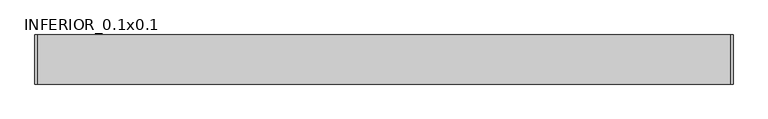
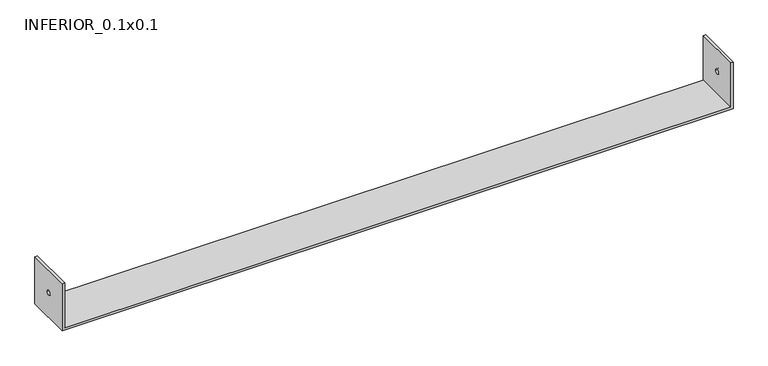
"""IFC4 building model written with IfcOpenShell, lengths in millimetres: proxy geometry, INFERIOR_0.1x0.1."""

from ifc_helpers import new_model, si_unit, frame, origin, place, context, project, spatial, polyline, circle_curve, source, transform, mapped, element, save
from ifc_brep_helpers import plane_surface, revolved_surface, advanced_brep


def inferior_0_1x0_1_3010d114(model_context):
    return source(origin(), model_context, "Body", "AdvancedBrep", [
        advanced_brep(
        [(5.0, 100.0, 105.0), (0.0, 100.0, 105.0), (0.0, 0.0, 105.0), (5.0, 0.0, 105.0), (5.0, 100.0, 5.0), (1415.0, 100.0, 5.0), (1415.0, 100.0, 105.0), (1420.0, 100.0, 105.0), (1420.0, 100.0, 0.0), (0.0, 100.0, 0.0), (0.0, 0.0, 0.0), (0.0, 45.1299677, 55.0), (0.0, 55.1299677, 55.0), (1420.0, 0.0, 0.0), (1420.0, 0.0, 105.0), (1415.0, 0.0, 105.0), (1415.0, 0.0, 5.0), (5.0, 0.0, 5.0), (5.0, 55.1299677, 55.0), (5.0, 45.1299677, 55.0), (1420.0, 55.1299677, 55.0), (1420.0, 45.1299677, 55.0), (1415.0, 45.1299677, 55.0), (1415.0, 55.1299677, 55.0)],
        [
            (0, 1),
            (1, 2),
            (2, 3),
            (3, 0),
            (0, 4),
            (4, 5),
            (5, 6),
            (6, 7),
            (7, 8),
            (8, 9),
            (9, 1),
            (9, 10),
            (10, 2),
            (11, 12, circle_curve(frame((0.0, 50.1299677, 55.0), z_axis=(1.0, 0.0, 0.0), x_axis=(0.0, 1.0, 0.0)), 5.0)),
            (12, 11, circle_curve(frame((0.0, 50.1299677, 55.0), z_axis=(1.0, 0.0, 0.0), x_axis=(0.0, 1.0, 0.0)), 5.0)),
            (10, 13),
            (13, 14),
            (14, 15),
            (15, 16),
            (16, 17),
            (17, 3),
            (17, 4),
            (18, 19, circle_curve(frame((5.0, 50.1299677, 55.0), z_axis=(-1.0, 0.0, 0.0), x_axis=(0.0, 1.0, 0.0)), 5.0)),
            (19, 18, circle_curve(frame((5.0, 50.1299677, 55.0), z_axis=(-1.0, 0.0, 0.0), x_axis=(0.0, 1.0, 0.0)), 5.0)),
            (16, 5),
            (8, 13),
            (7, 14),
            (20, 21, circle_curve(frame((1420.0, 50.1299677, 55.0), z_axis=(-1.0, 0.0, 0.0), x_axis=(0.0, 1.0, 0.0)), 5.0)),
            (21, 20, circle_curve(frame((1420.0, 50.1299677, 55.0), z_axis=(-1.0, 0.0, 0.0), x_axis=(0.0, 1.0, 0.0)), 5.0)),
            (11, 19),
            (18, 12),
            (22, 21),
            (20, 23),
            (23, 22, circle_curve(frame((1415.0, 50.1299677, 55.0), z_axis=(-1.0, 0.0, 0.0), x_axis=(0.0, 1.0, 0.0)), 5.0)),
            (22, 23, circle_curve(frame((1415.0, 50.1299677, 55.0), z_axis=(-1.0, 0.0, 0.0), x_axis=(0.0, 1.0, 0.0)), 5.0)),
            (6, 15),
        ],
        [
            plane_surface(frame((0.0, 100.0, 105.0), z_axis=(0.0, 0.0, 1.0), x_axis=(-1.0, 0.0, 0.0))),
            plane_surface(frame((5.0, 100.0, 105.0), z_axis=(0.0, 1.0, 0.0), x_axis=(0.0, 0.0, -1.0))),
            plane_surface(frame((0.0, 100.0, 105.0), z_axis=(-1.0, 0.0, 0.0), x_axis=(0.0, 0.0, -1.0))),
            plane_surface(frame((0.0, 0.0, 105.0), z_axis=(0.0, -1.0, 0.0), x_axis=(0.0, 0.0, -1.0))),
            plane_surface(frame((5.0, 0.0, 105.0), z_axis=(1.0, 0.0, 0.0), x_axis=(0.0, 0.0, -1.0))),
            plane_surface(frame((0.0, 0.0, 5.0), z_axis=(0.0, 0.0, 1.0), x_axis=(0.0, -1.0, 0.0))),
            plane_surface(frame((0.0, 0.0, 0.0), z_axis=(0.0, 0.0, -1.0), x_axis=(0.0, 1.0, 0.0))),
            plane_surface(frame((1420.0, 0.0, 5.0), z_axis=(1.0, 0.0, 0.0), x_axis=(0.0, 0.0, -1.0))),
            revolved_surface(polyline([(5.0, 55.1299677, 55.0), (0.0, 55.1299677, 55.0)]), (0.0, 50.1299677, 55.0), (1.0, 0.0, 0.0)),
            revolved_surface(polyline([(1420.0, 55.1299677, 55.0), (1415.0, 55.1299677, 55.0)]), (0.0, 50.1299677, 55.0), (1.0, 0.0, 0.0)),
            plane_surface(frame((1415.0, 100.0, 105.0), z_axis=(0.0, 0.0, 1.0), x_axis=(0.0, -1.0, 0.0))),
            plane_surface(frame((1415.0, 100.0, 105.0), z_axis=(-1.0, 0.0, 0.0), x_axis=(0.0, 0.0, -1.0))),
        ],
        [
            (0, [[1, 2, 3, 4]]),
            (1, [[-1, 5, 6, 7, 8, 9, 10, 11]]),
            (2, [[-2, -11, 12, 13], [14, 15]]),
            (3, [[-3, -13, 16, 17, 18, 19, 20, 21]]),
            (4, [[-4, -21, 22, -5], [23, 24]]),
            (5, [[-22, -20, 25, -6]]),
            (6, [[26, -16, -12, -10]]),
            (7, [[-26, -9, 27, -17], [28, 29]]),
            (8, [[30, -23, 31, -14]]),
            (9, [[32, -28, 33, 34]]),
            (8, [[-30, -15, -31, -24]]),
            (9, [[-32, 35, -33, -29]]),
            (10, [[36, -18, -27, -8]]),
            (11, [[-36, -7, -25, -19], [-34, -35]]),
        ],
    ),
    ])


if __name__ == "__main__":
    model = new_model("IFC4")
    model_context = context("Model", 3, world=origin())
    ifc_project = project(units=[si_unit("LENGTHUNIT", "METRE", prefix="MILLI")], contexts=[model_context])
    site = spatial("IfcSite", under=ifc_project)
    building = spatial("IfcBuilding", under=site)
    placement = place(None, origin())
    inferior_0_1x0_1_shape = inferior_0_1x0_1_3010d114(model_context)
    element("IfcBuildingElementProxy", 1, Name="INFERIOR_0.1x0.1", ObjectType="INFERIOR_0.1x0.1", at=placement, inside=building, context=model_context, shape_type="MappedRepresentation", body=[
        mapped(inferior_0_1x0_1_shape, transform((0.0, 0.0, 0.0), x_axis=(1.0, 0.0, 0.0), y_axis=(0.0, 1.0, 0.0), z_axis=(0.0, 0.0, 1.0))),
    ])
    save(model, "model.ifc")
